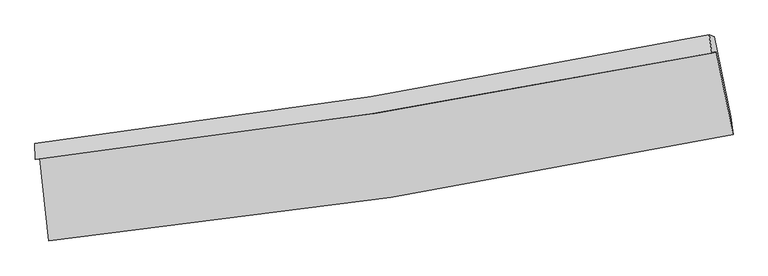
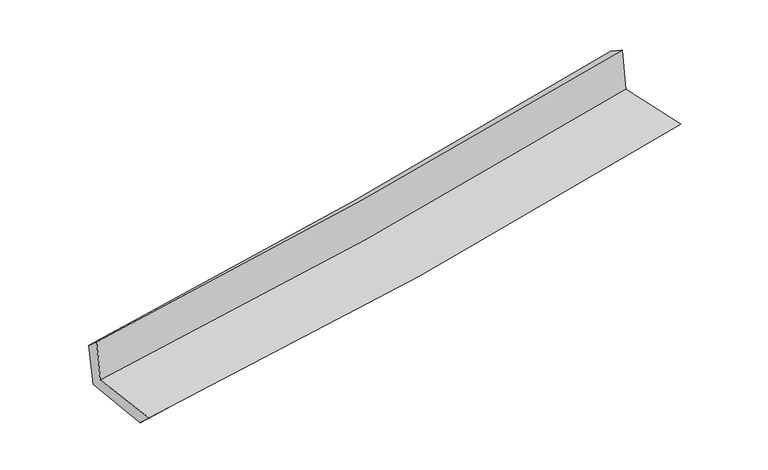
"""IFC4 building model written with IfcOpenShell, lengths in millimetres: proxy geometry."""

from ifc_helpers import new_model, si_unit, frame, origin, place, context, project, spatial, source, transform, mapped, element, save
from ifc_brep_helpers import plane_surface, spline_curve, spline_surface, advanced_brep


def generic_models_d444477b(model_context):
    return source(origin(), model_context, "Body", "AdvancedBrep", [
        advanced_brep(
        [(-2723.2695769, -1898.6852786, 1648.1948167), (-2651.3307449, -2556.6955675, 1650.9508124), (2811.4114838, -1706.7722673, 2126.4819456), (2678.3951019, -1048.5408892, 2118.1088031), (-2758.9766137, -1904.0456845, 2041.5435619), (2642.150123, -1057.3385005, 2524.6768486), (-2762.60244, -1777.0161645, 1929.7966993), (2621.0040427, -908.9564222, 2428.3001652), (-2725.1248597, -1790.8167047, 1540.0426033), (2661.2033615, -922.8349262, 2028.7346584), (-2653.3688343, -2428.807888, 1520.9764722), (2792.1196001, -1563.7928355, 2022.0238539)],
        [
            (0, 1),
            (1, 2, spline_curve(3, [(-2651.3307449, -2556.6955675, 1650.9508124), (-1738.212659683, -2464.452045777, 1724.739872489), (-828.827257425, -2348.009634265, 1801.037731035), (992.167112457, -2065.222410742, 1959.494141997), (1903.695786734, -1898.357055503, 2041.706661021), (2811.4114838, -1706.7722673, 2126.4819456)], [4, 2, 4], [0.0, 9.007774408821813, 18.111916572760755])),
            (2, 3),
            (3, 0, spline_curve(3, [(2678.3951019, -1048.5408892, 2118.1088031), (1779.970707524, -1229.768784642, 2034.252692743), (878.207068919, -1391.501866983, 1952.970405599), (-922.418142112, -1674.472807524, 1796.386609841), (-1821.209396214, -1796.121188225, 1721.030901698), (-2723.2695769, -1898.6852786, 1648.1948167)], [4, 2, 4], [0.0, 9.104142163938942, 18.111916572760755])),
            (4, 0),
            (3, 5),
            (5, 4, spline_curve(3, [(2642.150123, -1057.3385005, 2524.6768486), (1742.794564214, -1237.024983305, 2447.425313055), (840.613127625, -1397.70197005, 2368.314380646), (-959.821959009, -1679.537395173, 2207.230796738), (-1858.016100913, -1801.096136445, 2125.297299989), (-2758.9766137, -1904.0456845, 2041.5435619)], [4, 2, 4], [0.0, 9.053483276514099, 18.011135024517593])),
            (6, 4),
            (5, 7),
            (7, 6, spline_curve(3, [(2621.0040427, -908.9564222, 2428.3001652), (1725.05494412, -1092.967191873, 2349.761182951), (826.043274179, -1257.59318323, 2268.715437716), (-968.556711681, -1546.53822538, 2102.494828349), (-1864.080536126, -1671.265481202, 2017.372751711), (-2762.60244, -1777.0161645, 1929.7966993)], [4, 2, 4], [0.0, 9.043221754002905, 17.99072059817346])),
            (8, 6),
            (7, 9),
            (9, 8, spline_curve(3, [(2661.2033615, -922.8349262, 2028.7346584), (1765.10872128, -1106.967397356, 1948.477622254), (865.795436119, -1271.647349558, 1867.403761818), (-929.715082565, -1560.564976917, 1704.489209567), (-1825.84453798, -1685.212284231, 1622.665717973), (-2725.1248597, -1790.8167047, 1540.0426033)], [4, 2, 4], [0.0, 9.034445974812053, 17.973261931810004])),
            (10, 8),
            (9, 11),
            (11, 10, spline_curve(3, [(2792.1196001, -1563.7928355, 2022.0238539), (1885.407339384, -1748.713237522, 1942.032517078), (975.830871204, -1913.535194283, 1860.050203238), (-839.392255126, -2201.450310834, 1692.992483227), (-1744.978598262, -2324.966705207, 1607.959003119), (-2653.3688343, -2428.807888, 1520.9764722)], [4, 2, 4], [0.0, 9.084479835248226, 18.07280004201467])),
            (1, 10),
            (11, 2),
        ],
        [
            spline_surface(3, 3, [[(-2723.2695769, -1898.6852786, 1648.1948167), (-1821.209396354, -1796.121188127, 1721.030901604), (-922.418142034, -1674.472807491, 1796.386609819), (878.207068841, -1391.501867016, 1952.970405622), (1779.970707494, -1229.768784575, 2034.252692828), (2678.3951019, -1048.5408892, 2118.1088031)], [(-2699.289966228, -2118.022041537, 1649.113481944), (-1793.543817428, -2018.898140696, 1722.267225208), (-891.221180534, -1898.985083144, 1797.936983563), (916.193750067, -1616.075381576, 1955.144984402), (1821.212400578, -1452.631541526, 2036.737348885), (2722.733895862, -1267.951348565, 2120.899850598)], [(-2675.310355572, -2337.358804563, 1650.032147156), (-1765.878238518, -2241.675093353, 1723.503548782), (-860.024219011, -2123.497358727, 1799.487357317), (954.180431317, -1840.648896065, 1957.319563191), (1862.454093675, -1675.494298483, 2039.222004948), (2767.072689838, -1487.361807935, 2123.690898102)], [(-2651.3307449, -2556.6955675, 1650.9508124), (-1738.212659591, -2464.452045922, 1724.739872386), (-828.827257511, -2348.00963438, 1801.037731062), (992.167112543, -2065.222410625, 1959.49414197), (1903.695786758, -1898.357055434, 2041.706661005), (2811.4114838, -1706.7722673, 2126.4819456)]], [4, 4], [4, 2, 4], [0.0, 2.236270883649274], [0.0, 9.007774408821813, 18.111916572760755]),
            spline_surface(3, 3, [[(-2758.9766137, -1904.0456845, 2041.5435619), (-1858.016101062, -1801.096136368, 2125.297300095), (-959.82195888, -1679.537395182, 2207.230796606), (840.613127494, -1397.701970041, 2368.314380779), (1742.794564208, -1237.024983223, 2447.425313159), (2642.150123, -1057.3385005, 2524.6768486)], [(-2747.074268099, -1902.258882566, 1910.427313489), (-1845.747199491, -1799.43782032, 1990.54183392), (-947.354019916, -1677.849199276, 2070.282734348), (853.144441292, -1395.635269024, 2229.866389064), (1755.186611949, -1234.606250343, 2309.70110639), (2654.231782612, -1054.405963403, 2389.154166774)], [(-2735.171922501, -1900.472080534, 1779.311065111), (-1833.478297924, -1797.779504175, 1855.786367779), (-934.886080998, -1676.161003397, 1933.334672077), (865.675755043, -1393.568568034, 2091.418397338), (1767.578659754, -1232.187517455, 2171.976899597), (2666.313442288, -1051.473426297, 2253.631484926)], [(-2723.2695769, -1898.6852786, 1648.1948167), (-1821.209396354, -1796.121188127, 1721.030901604), (-922.418142034, -1674.472807491, 1796.386609819), (878.207068841, -1391.501867016, 1952.970405622), (1779.970707494, -1229.768784575, 2034.252692828), (2678.3951019, -1048.5408892, 2118.1088031)]], [4, 4], [4, 2, 4], [0.0, 1.3610710649902984], [0.0, 8.957651748003494, 18.011135024517593]),
            spline_surface(3, 3, [[(-2762.60244, -1777.0161645, 1929.7966993), (-1864.080536087, -1671.265481133, 2017.372751568), (-968.556711755, -1546.53822525, 2102.494828279), (826.043274254, -1257.593183361, 2268.715437787), (1725.054944147, -1092.967191858, 2349.761183029), (2621.0040427, -908.9564222, 2428.3001652)], [(-2761.393831226, -1819.359337806, 1967.045653501), (-1862.059057738, -1714.542366184, 2053.347601078), (-965.645127481, -1590.871281902, 2137.406817706), (830.899891983, -1304.296112263, 2301.915085435), (1730.968150839, -1140.986455646, 2382.315893072), (2628.052736139, -958.417114965, 2460.425726332)], [(-2760.185222474, -1861.702511194, 2004.294607699), (-1860.037579411, -1757.819251317, 2089.322450585), (-962.733543154, -1635.20433853, 2172.31880718), (835.756509765, -1350.99904114, 2335.114733131), (1736.881357516, -1189.005719436, 2414.870603117), (2635.101429561, -1007.877807735, 2492.551287468)], [(-2758.9766137, -1904.0456845, 2041.5435619), (-1858.016101062, -1801.096136368, 2125.297300095), (-959.82195888, -1679.537395182, 2207.230796606), (840.613127494, -1397.701970041, 2368.314380779), (1742.794564208, -1237.024983223, 2447.425313159), (2642.150123, -1057.3385005, 2524.6768486)]], [4, 4], [4, 2, 4], [0.0, 0.5608839979025763], [0.0, 8.947498844170555, 17.99072059817346]),
            spline_surface(3, 3, [[(-2725.1248597, -1790.8167047, 1540.0426033), (-1825.844537924, -1685.212284332, 1622.665718109), (-929.715082612, -1560.564976957, 1704.489209492), (865.795436167, -1271.647349517, 1867.403761894), (1765.108721247, -1106.96739739, 1948.477622251), (2661.2033615, -922.8349262, 2028.7346584)], [(-2737.617386462, -1786.216524652, 1669.960635282), (-1838.58987064, -1680.563349951, 1754.234729244), (-942.662292315, -1555.889393028, 1837.15774909), (852.54471554, -1266.962627438, 2001.174320526), (1751.757462219, -1102.300662207, 2082.238809186), (2647.803588572, -918.208758194, 2161.923160676)], [(-2750.109913238, -1781.616344548, 1799.878667318), (-1851.335203371, -1675.914415514, 1885.803740433), (-955.609502052, -1551.21380918, 1969.826288682), (839.29399488, -1262.277905441, 2134.944879154), (1738.406203175, -1097.633927042, 2215.999996094), (2634.403815628, -913.582590206, 2295.111662924)], [(-2762.60244, -1777.0161645, 1929.7966993), (-1864.080536087, -1671.265481133, 2017.372751568), (-968.556711755, -1546.53822525, 2102.494828279), (826.043274254, -1257.593183361, 2268.715437787), (1725.054944147, -1092.967191858, 2349.761183029), (2621.0040427, -908.9564222, 2428.3001652)]], [4, 4], [4, 2, 4], [0.0, 1.3184027491572219], [0.0, 8.938815956997951, 17.973261931810004]),
            spline_surface(3, 3, [[(-2653.3688343, -2428.807888, 1520.9764722), (-1744.97859818, -2324.966705283, 1607.959003093), (-839.392255005, -2201.450310956, 1692.992483248), (975.830871081, -1913.535194159, 1860.050203217), (1885.407339369, -1748.713237603, 1942.03251699), (2792.1196001, -1563.7928355, 2022.0238539)], [(-2677.287509442, -2216.144160238, 1527.331849236), (-1771.933911437, -2111.715231637, 1612.861241434), (-869.499864217, -1987.821866318, 1696.824725318), (939.152392767, -1699.572579307, 1862.501389431), (1845.307799989, -1534.797957512, 1944.180885406), (2748.480853894, -1350.140199047, 2024.26078873)], [(-2701.206184558, -2003.480432462, 1533.687226264), (-1798.889224668, -1898.463757978, 1617.763479767), (-899.6074734, -1774.193421595, 1700.656967422), (902.473914481, -1485.60996437, 1864.95257568), (1805.208260627, -1320.882677481, 1946.329253834), (2704.842107706, -1136.487562653, 2026.49772357)], [(-2725.1248597, -1790.8167047, 1540.0426033), (-1825.844537924, -1685.212284332, 1622.665718109), (-929.715082612, -1560.564976957, 1704.489209492), (865.795436167, -1271.647349517, 1867.403761894), (1765.108721247, -1106.96739739, 1948.477622251), (2661.2033615, -922.8349262, 2028.7346584)]], [4, 4], [4, 2, 4], [0.0, 2.1300935816749003], [0.0, 8.988320206766444, 18.07280004201467]),
            spline_surface(3, 3, [[(-2651.3307449, -2556.6955675, 1650.9508124), (-1738.212659591, -2464.452045922, 1724.739872386), (-828.827257511, -2348.00963438, 1801.037731062), (992.167112543, -2065.222410625, 1959.49414197), (1903.695786758, -1898.357055434, 2041.706661005), (2811.4114838, -1706.7722673, 2126.4819456)], [(-2652.010108044, -2514.066341001, 1607.626032348), (-1740.467972465, -2417.956932376, 1685.81291597), (-832.348923334, -2299.156526549, 1765.022648482), (986.721698731, -2014.660005113, 1926.34616241), (1897.599637651, -1848.47578285, 2008.481946323), (2804.980855922, -1659.112456726, 2091.66258169)], [(-2652.689471156, -2471.437114499, 1564.301252252), (-1742.723285307, -2371.461818828, 1646.885959509), (-835.870589182, -2250.303418787, 1729.007565827), (981.276284894, -1964.097599671, 1893.198182776), (1891.503488477, -1798.594510187, 1975.257231672), (2798.550227978, -1611.452646074, 2056.84321781)], [(-2653.3688343, -2428.807888, 1520.9764722), (-1744.97859818, -2324.966705283, 1607.959003093), (-839.392255005, -2201.450310956, 1692.992483248), (975.830871081, -1913.535194159, 1860.050203217), (1885.407339369, -1748.713237603, 1942.03251699), (2792.1196001, -1563.7928355, 2022.0238539)]], [4, 4], [4, 2, 4], [0.0, 0.5976267786953868], [0.0, 9.04706063250478, 18.190909315419567]),
            plane_surface(frame((2701.0472855, -1201.3726401, 2208.0543791), z_axis=(0.9758673756826365, 0.19836600440792537, 0.09128961262662381), x_axis=(-0.10004251843194782, 0.03453890603255734, 0.9943835067396621))),
            plane_surface(frame((-2712.4455116, -2059.344548, 1721.9174943), z_axis=(-0.989880028583699, -0.10860398772168794, -0.09133839752307348), x_axis=(-0.10867930546275563, 0.9940681433166395, -0.004163533012020355))),
        ],
        [
            (0, [[1, 2, 3, 4]]),
            (1, [[5, -4, 6, 7]]),
            (2, [[8, -7, 9, 10]]),
            (3, [[11, -10, 12, 13]]),
            (4, [[14, -13, 15, 16]]),
            (5, [[17, -16, 18, -2]]),
            (6, [[-12, -9, -6, -3, -18, -15]]),
            (7, [[-1, -5, -8, -11, -14, -17]]),
        ],
    ),
    ])


if __name__ == "__main__":
    model = new_model("IFC4")
    model_context = context("Model", 3, world=origin())
    ifc_project = project(units=[si_unit("LENGTHUNIT", "METRE", prefix="MILLI")], contexts=[model_context])
    site = spatial("IfcSite", under=ifc_project)
    building = spatial("IfcBuilding", under=site)
    placement = place(None, origin())
    generic_models_shape = generic_models_d444477b(model_context)
    element("IfcBuildingElementProxy", 1, Name="Generic Models", at=placement, inside=building, context=model_context, shape_type="MappedRepresentation", body=[
        mapped(generic_models_shape, transform((0.0, 0.0, 0.0), x_axis=(1.0, 0.0, 0.0), y_axis=(0.0, 1.0, 0.0), z_axis=(0.0, 0.0, 1.0))),
    ])
    save(model, "model.ifc")
